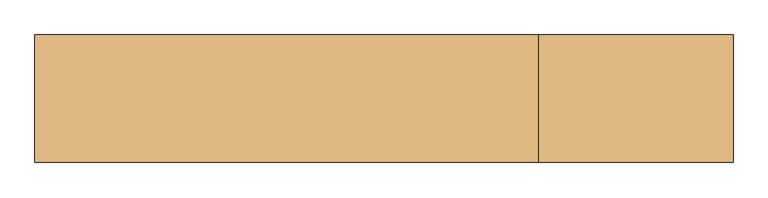
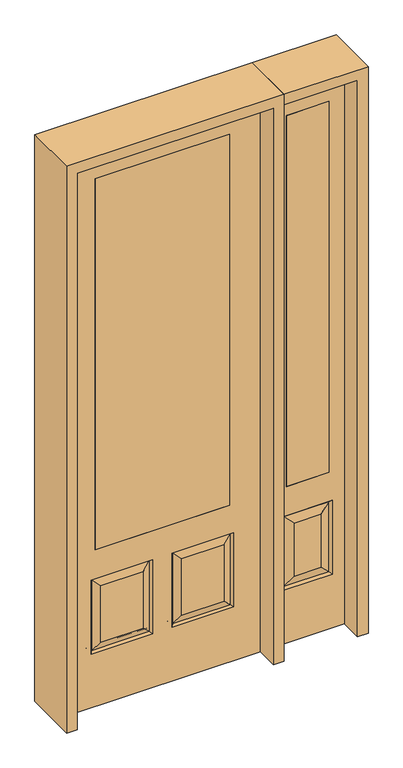
"""IFC4 building model written with IfcOpenShell, lengths in millimetres: door geometry."""

from ifc_helpers import new_model, si_unit, frame, origin, place, context, project, spatial, polyline, outline, extrude, faceted_brep, source, transform, mapped, element, save


def door_ff937794(model_context):
    return source(origin(), model_context, "Body", "SolidModel", [
        extrude(outline(polyline([(514.35, -20.6375), (514.35, 20.6375), (692.15, 20.6375), (692.15, -20.6375), (514.35, -20.6375)])), frame((0.0, 0.0, 685.8), z_axis=(0.0, 0.0, 1.0), x_axis=(1.0, 0.0, 0.0)), (0.0, 0.0, 1.0), 1625.6),
        faceted_brep([(755.65, -20.6375, 0.0), (755.65, -20.6375, 2438.4), (450.85, -20.6375, 2438.4), (450.85, -20.6375, 0.0), (501.65, -20.6375, 234.95), (501.65, -20.6375, 558.8), (704.85, -20.6375, 558.8), (704.85, -20.6375, 234.95), (514.35, -20.6375, 685.8), (514.35, -20.6375, 2311.4), (692.15, -20.6375, 2311.4), (692.15, -20.6375, 685.8), (658.8125, -20.6375, 280.9875), (658.8125, -20.6375, 512.7625), (547.6875, -20.6375, 512.7625), (547.6875, -20.6375, 280.9875), (450.85, 20.6375, 0.0), (755.65, 20.6375, 0.0), (450.85, 20.6375, 2438.4), (755.65, 20.6375, 2438.4), (510.6302561, -11.6572439, 243.9302561), (695.8697439, -11.6572439, 243.9302561), (695.8697439, -11.6572439, 549.8197439), (510.6302561, -11.6572439, 549.8197439), (704.85, 20.6375, 234.95), (704.85, 20.6375, 558.8), (501.65, 20.6375, 558.8), (501.65, 20.6375, 234.95), (692.15, 20.6375, 685.8), (692.15, 20.6375, 2311.4), (514.35, 20.6375, 2311.4), (514.35, 20.6375, 685.8), (547.6875, 20.6375, 280.9875), (547.6875, 20.6375, 512.7625), (658.8125, 20.6375, 512.7625), (658.8125, 20.6375, 280.9875), (510.6302561, 11.6572439, 243.9302561), (695.8697439, 11.6572439, 243.9302561), (510.6302561, 11.6572439, 549.8197439), (695.8697439, 11.6572439, 549.8197439)], [[[0, 1, 2, 3], [4, 5, 6, 7], [8, 9, 10, 11]], [[12, 13, 14, 15]], [[3, 16, 17, 0]], [[2, 18, 16, 3]], [[0, 17, 19, 1]], [[20, 4, 7, 21]], [[7, 6, 22, 21]], [[6, 5, 23, 22]], [[20, 23, 5, 4]], [[21, 12, 15, 20]], [[15, 14, 23, 20]], [[22, 23, 14, 13]], [[21, 22, 13, 12]], [[17, 16, 18, 19], [24, 25, 26, 27], [28, 29, 30, 31]], [[32, 33, 34, 35]], [[24, 27, 36, 37]], [[27, 26, 38, 36]], [[39, 38, 26, 25]], [[37, 39, 25, 24]], [[36, 32, 35, 37]], [[35, 34, 39, 37]], [[34, 33, 38, 39]], [[36, 38, 33, 32]], [[1, 19, 18, 2]], [[8, 11, 28, 31]], [[11, 10, 29, 28]], [[31, 30, 9, 8]], [[30, 29, 10, 9]]]),
        faceted_brep([(279.4, 20.6375, 685.8), (279.4, -20.6375, 685.8), (279.4, -20.6375, 2311.4), (279.4, 20.6375, 2311.4), (-279.4, 20.6375, 685.8), (-279.4, -20.6375, 685.8), (-80.1727627, 20.6375, 273.8477627), (-256.3772373, 20.6375, 273.8477627), (-256.3772373, 20.6375, 520.4102373), (-80.1727627, 20.6375, 520.4102373), (256.3772373, 20.6375, 273.8477627), (80.1727627, 20.6375, 273.8477627), (80.1727627, 20.6375, 520.4102373), (256.3772373, 20.6375, 520.4102373), (-406.4, 20.6375, 2438.4), (406.4, 20.6375, 2438.4), (406.4, 20.6375, 0.0), (-406.4, 20.6375, 0.0), (-279.4, 20.6375, 2311.4), (-295.275, 20.6375, 234.95), (-41.275, 20.6375, 234.95), (-41.275, 20.6375, 559.308), (-295.275, 20.6375, 559.308), (41.275, 20.6375, 234.95), (295.275, 20.6375, 234.95), (295.275, 20.6375, 559.308), (41.275, 20.6375, 559.308), (-279.4, -20.6375, 2311.4), (80.1727627, -20.6375, 273.8477627), (256.3772373, -20.6375, 273.8477627), (256.3772373, -20.6375, 520.4102373), (80.1727627, -20.6375, 520.4102373), (-256.3772373, -20.6375, 273.8477627), (-80.1727627, -20.6375, 273.8477627), (-80.1727627, -20.6375, 520.4102373), (-256.3772373, -20.6375, 520.4102373), (406.4, -20.6375, 2438.4), (-406.4, -20.6375, 2438.4), (-406.4, -20.6375, 0.0), (406.4, -20.6375, 0.0), (295.275, -20.6375, 234.95), (41.275, -20.6375, 234.95), (41.275, -20.6375, 559.308), (295.275, -20.6375, 559.308), (-41.275, -20.6375, 234.95), (-295.275, -20.6375, 234.95), (-295.275, -20.6375, 559.308), (-41.275, -20.6375, 559.308), (-287.8714647, 11.4399763, 242.3535353), (-48.6785353, 11.4399763, 242.3535353), (-48.6785353, 11.4399763, 551.9044647), (-287.8714647, 11.4399763, 551.9044647), (48.6785353, 11.4399763, 242.3535353), (287.8714647, 11.4399763, 242.3535353), (287.8714647, 11.4399763, 551.9044647), (48.6785353, 11.4399763, 551.9044647), (287.8714647, -11.4399763, 242.3535353), (48.6785353, -11.4399763, 242.3535353), (48.6785353, -11.4399763, 551.9044647), (287.8714647, -11.4399763, 551.9044647), (-48.6785353, -11.4399763, 242.3535353), (-287.8714647, -11.4399763, 242.3535353), (-287.8714647, -11.4399763, 551.9044647), (-48.6785353, -11.4399763, 551.9044647)], [[[0, 1, 2, 3]], [[1, 0, 4, 5]], [[6, 7, 8, 9]], [[10, 11, 12, 13]], [[14, 15, 16, 17], [4, 0, 3, 18], [19, 20, 21, 22], [23, 24, 25, 26]], [[5, 4, 18, 27]], [[28, 29, 30, 31]], [[32, 33, 34, 35]], [[36, 37, 38, 39], [1, 5, 27, 2], [40, 41, 42, 43], [44, 45, 46, 47]], [[39, 38, 17, 16]], [[37, 14, 17, 38]], [[15, 36, 39, 16]], [[19, 48, 49, 20]], [[20, 49, 50, 21]], [[51, 22, 21, 50]], [[48, 19, 22, 51]], [[49, 48, 7, 6]], [[7, 48, 51, 8]], [[8, 51, 50, 9]], [[49, 6, 9, 50]], [[52, 53, 24, 23]], [[24, 53, 54, 25]], [[25, 54, 55, 26]], [[52, 23, 26, 55]], [[53, 52, 11, 10]], [[11, 52, 55, 12]], [[54, 13, 12, 55]], [[53, 10, 13, 54]], [[40, 56, 57, 41]], [[41, 57, 58, 42]], [[59, 43, 42, 58]], [[56, 40, 43, 59]], [[57, 56, 29, 28]], [[29, 56, 59, 30]], [[30, 59, 58, 31]], [[57, 28, 31, 58]], [[60, 61, 45, 44]], [[45, 61, 62, 46]], [[46, 62, 63, 47]], [[60, 44, 47, 63]], [[61, 60, 33, 32]], [[33, 60, 63, 34]], [[62, 35, 34, 63]], [[61, 32, 35, 62]], [[3, 2, 27, 18]], [[36, 15, 14, 37]]]),
        extrude(outline(polyline([(279.4, -20.6375), (-279.4, -20.6375), (-279.4, 20.6375), (279.4, 20.6375), (279.4, -20.6375)])), frame((0.0, 0.0, 685.8), z_axis=(0.0, 0.0, 1.0), x_axis=(1.0, 0.0, 0.0)), (0.0, 0.0, 1.0), 1625.6),
        extrude(outline(polyline([(2482.85, -450.85), (0.0, -450.85), (0.0, -406.4), (2438.4, -406.4), (2438.4, 406.4), (0.0, 406.4), (0.0, 450.85), (2482.85, 450.85), (2482.85, -450.85)])), frame((0.0, -114.3, 0.0), z_axis=(0.0, 1.0, 0.0), x_axis=(0.0, 0.0, 1.0)), (0.0, 0.0, 1.0), 228.6),
        extrude(outline(polyline([(0.0, 755.65), (0.0, 800.1), (2482.85, 800.1), (2482.85, 450.85), (2438.4, 450.85), (2438.4, 755.65), (0.0, 755.65)])), frame((0.0, -114.3, 0.0), z_axis=(0.0, 1.0, 0.0), x_axis=(0.0, 0.0, 1.0)), (0.0, 0.0, 1.0), 228.6),
    ])


if __name__ == "__main__":
    model = new_model("IFC4")
    model_context = context("Model", 3, world=origin())
    ifc_project = project(units=[si_unit("LENGTHUNIT", "METRE", prefix="MILLI")], contexts=[model_context])
    site = spatial("IfcSite", under=ifc_project)
    building = spatial("IfcBuilding", under=site)
    placement = place(None, origin())
    door_shape = door_ff937794(model_context)
    element("IfcDoor", 1, at=placement, inside=building, context=model_context, shape_type="MappedRepresentation", body=[
        mapped(door_shape, transform((0.0, 0.0, 0.0), x_axis=(1.0, 0.0, 0.0), y_axis=(0.0, 1.0, 0.0), z_axis=(0.0, 0.0, 1.0))),
    ])
    save(model, "model.ifc")
